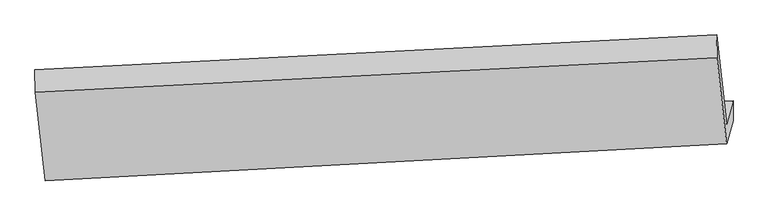
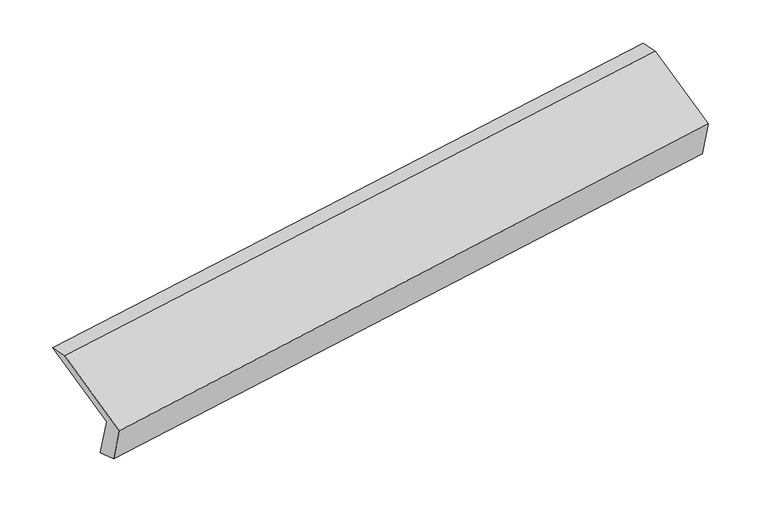
"""IFC4 building model written with IfcOpenShell, lengths in millimetres: proxy geometry."""

from ifc_helpers import new_model, si_unit, frame, origin, place, context, project, spatial, source, transform, mapped, element, save
from ifc_brep_helpers import plane_surface, spline_surface, advanced_brep


def generic_models_4eebe7a6(model_context):
    return source(origin(), model_context, "Body", "AdvancedBrep", [
        advanced_brep(
        [(-5210.1668916, -1640.2376952, 1213.4130232), (-5257.1860421, -1807.2880289, 1587.4986472), (-451.8761165, -1572.6762125, 2296.2496819), (-405.9971579, -1409.6767694, 1931.2354552), (-5210.0232989, -1819.4019803, 1269.752333), (-405.4561516, -1549.2953608, 1972.2131189), (-5253.3542616, -1973.3488656, 1614.4946351), (-451.067498, -1711.3440272, 2335.0982155), (-5322.3331883, -1348.327376, 1884.9319665), (-518.0309834, -1104.5845523, 2597.6338498), (-5325.5208886, -1188.1025828, 1855.410811), (-521.2186836, -944.3597591, 2568.1126943)],
        [
            (0, 1),
            (1, 2),
            (2, 3),
            (3, 0),
            (4, 0),
            (3, 5),
            (5, 4),
            (6, 4),
            (5, 7),
            (7, 6),
            (8, 6),
            (7, 9),
            (9, 8),
            (10, 8),
            (9, 11),
            (11, 10),
            (1, 10),
            (11, 2),
        ],
        [
            plane_surface(frame((-5233.6764669, -1723.762862, 1400.4558352), z_axis=(-0.10280426923530567, 0.9130034538730315, 0.394785986887719), x_axis=(-0.11401918842269905, -0.40508905951009405, 0.9071397238224421))),
            spline_surface(1, 1, [[(-5210.0232989, -1819.4019803, 1269.752333), (-405.4561516, -1549.2953608, 1972.2131189)], [(-5210.1668916, -1640.2376952, 1213.4130232), (-405.9971579, -1409.6767694, 1931.2354552)]], [2, 2], [2, 2], [0.0, 1.0], [0.0, 1.0]),
            plane_surface(frame((-5231.6887803, -1896.3754229, 1442.1234841), z_axis=(0.10889805651621642, -0.9126884662970848, -0.3938793936921128), x_axis=(0.11401918842272278, 0.405089059510101, -0.9071397238224361))),
            plane_surface(frame((-5287.8437249, -1660.8381208, 1749.7133008), z_axis=(-0.11401918842272243, -0.40508905951009744, 0.9071397238224377), x_axis=(0.10077206866885413, -0.913100731932054, -0.3950848561022645))),
            plane_surface(frame((-5323.9270384, -1268.2149794, 1870.1713888), z_axis=(-0.15318389238844635, 0.17611147663551116, 0.9723782406604875), x_axis=(0.01956209721180568, -0.983258370204225, 0.18116374299513463))),
            plane_surface(frame((-5291.3534654, -1497.6953059, 1721.4547291), z_axis=(0.11401918842272275, 0.40508905951010765, -0.9071397238224331), x_axis=(-0.100772068668854, 0.9131007319320495, 0.3950848561022748))),
            plane_surface(frame((-458.9410985, -1381.9894469, 2283.4238359), z_axis=(0.9883544985720576, 0.046367091890391496, 0.14493266692504037), x_axis=(0.10077206866885413, -0.913100731932054, -0.3950848561022645))),
            plane_surface(frame((-5263.0974285, -1629.4510881, 1570.9169027), z_axis=(-0.9883544985720624, -0.046367091890375765, -0.14493266692501286), x_axis=(0.11401918842270367, 0.4050890595101019, -0.9071397238224381))),
        ],
        [
            (0, [[1, 2, 3, 4]]),
            (1, [[5, -4, 6, 7]]),
            (2, [[8, -7, 9, 10]]),
            (3, [[11, -10, 12, 13]]),
            (4, [[14, -13, 15, 16]]),
            (5, [[17, -16, 18, -2]]),
            (6, [[-12, -9, -6, -3, -18, -15]]),
            (7, [[-1, -5, -8, -11, -14, -17]]),
        ],
    ),
    ])


if __name__ == "__main__":
    model = new_model("IFC4")
    model_context = context("Model", 3, world=origin())
    ifc_project = project(units=[si_unit("LENGTHUNIT", "METRE", prefix="MILLI")], contexts=[model_context])
    site = spatial("IfcSite", under=ifc_project)
    building = spatial("IfcBuilding", under=site)
    placement = place(None, origin())
    generic_models_shape = generic_models_4eebe7a6(model_context)
    element("IfcBuildingElementProxy", 1, Name="Generic Models", at=placement, inside=building, context=model_context, shape_type="MappedRepresentation", body=[
        mapped(generic_models_shape, transform((0.0, 0.0, 0.0), x_axis=(1.0, 0.0, 0.0), y_axis=(0.0, 1.0, 0.0), z_axis=(0.0, 0.0, 1.0))),
    ])
    save(model, "model.ifc")
